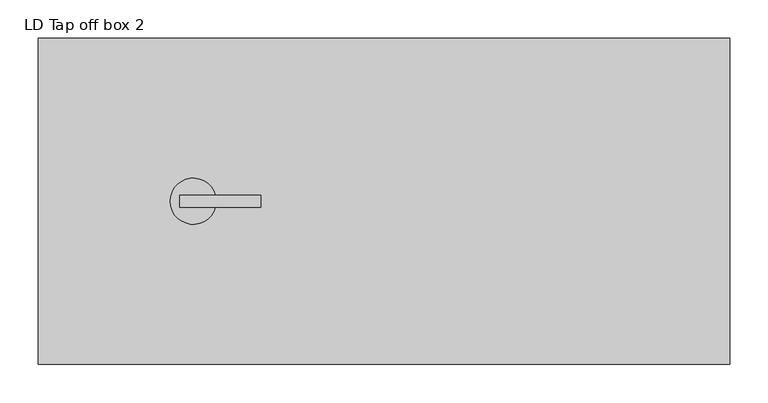
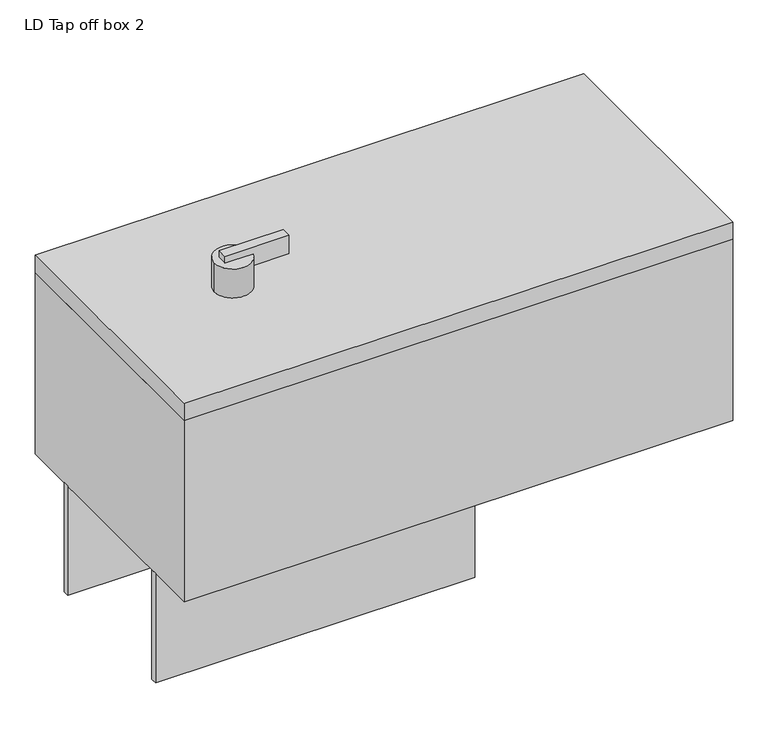
"""IFC4 building model written with IfcOpenShell, lengths in millimetres: proxy geometry, LD Tap off box 2."""

from ifc_helpers import new_model, si_unit, frame, origin, origin_with_axes, place, context, project, spatial, polyline, circle_curve, outline, extrude, source, transform, mapped, element, save
from ifc_brep_helpers import plane_surface, cylinder_surface, advanced_brep


def ld_tap_off_box_2_2ccad1d7(model_context):
    return source(origin(), model_context, "Body", "SolidModel", [
        advanced_brep(
        [(171.6557959, 0.0, 405.0), (230.5694604, -8.0, 405.0), (184.2970478, -8.0, 405.0), (184.2970478, 8.0, 405.0), (230.5694604, 8.0, 405.0), (171.6557959, 0.0, 355.0), (231.6557959, 0.0, 355.0), (231.6557959, 0.0, 385.0), (230.5694604, -8.0, 385.0), (230.5694604, 8.0, 385.0), (289.2970478, 8.0, 417.0), (184.2970478, 8.0, 417.0), (184.2970478, -8.0, 417.0), (289.2970478, -8.0, 417.0), (289.2970478, 8.0, 385.0), (289.2970478, -8.0, 385.0)],
        [
            (0, 1, circle_curve(frame((201.6557959, 0.0, 405.0), z_axis=(0.0, 0.0, 1.0), x_axis=(1.0, 0.0, 0.0)), 30.0)),
            (1, 2),
            (2, 3),
            (3, 4),
            (4, 0, circle_curve(frame((201.6557959, 0.0, 405.0), z_axis=(0.0, 0.0, 1.0), x_axis=(1.0, 0.0, 0.0)), 30.0)),
            (5, 6, circle_curve(frame((201.6557959, 0.0, 355.0), z_axis=(0.0, 0.0, -1.0), x_axis=(1.0, 0.0, 0.0)), 30.0)),
            (6, 5, circle_curve(frame((201.6557959, 0.0, 355.0), z_axis=(0.0, 0.0, -1.0), x_axis=(1.0, 0.0, 0.0)), 30.0)),
            (6, 7),
            (7, 8, circle_curve(frame((201.6557959, 0.0, 385.0), z_axis=(0.0, 0.0, -1.0), x_axis=(1.0, 0.0, 0.0)), 30.0)),
            (8, 1),
            (0, 5),
            (4, 9),
            (9, 7, circle_curve(frame((201.6557959, 0.0, 385.0), z_axis=(0.0, 0.0, -1.0), x_axis=(1.0, 0.0, 0.0)), 30.0)),
            (10, 11),
            (11, 12),
            (12, 13),
            (13, 10),
            (14, 15),
            (15, 8),
            (9, 14),
            (10, 14),
            (3, 11),
            (2, 12),
            (15, 13),
        ],
        [
            plane_surface(frame((231.6557959, 0.0, 405.0), z_axis=(0.0, 0.0, 1.0), x_axis=(0.0, 1.0, 0.0))),
            plane_surface(frame((231.6557959, 0.0, 355.0), z_axis=(0.0, 0.0, -1.0), x_axis=(0.0, -1.0, 0.0))),
            cylinder_surface(frame((201.6557959, 0.0, 355.0), z_axis=(0.0, 0.0, 1.0), x_axis=(1.0, 0.0, 0.0)), 30.0),
            plane_surface(frame((184.2970478, 8.0, 417.0), z_axis=(0.0, 0.0, 1.0), x_axis=(-1.0, 0.0, 0.0))),
            plane_surface(frame((184.2970478, 8.0, 385.0), z_axis=(0.0, 0.0, -1.0), x_axis=(1.0, 0.0, 0.0))),
            plane_surface(frame((289.2970478, 8.0, 417.0), z_axis=(0.0, 1.0, 0.0), x_axis=(0.0, 0.0, -1.0))),
            plane_surface(frame((184.2970478, 8.0, 417.0), z_axis=(-1.0, 0.0, 0.0), x_axis=(0.0, 0.0, -1.0))),
            plane_surface(frame((184.2970478, -8.0, 417.0), z_axis=(0.0, -1.0, 0.0), x_axis=(0.0, 0.0, -1.0))),
            plane_surface(frame((289.2970478, -8.0, 417.0), z_axis=(1.0, 0.0, 0.0), x_axis=(0.0, 0.0, -1.0))),
        ],
        [
            (0, [[1, 2, 3, 4, 5]]),
            (1, [[6, 7]]),
            (2, [[-7, 8, 9, 10, -1, 11]]),
            (2, [[-6, -11, -5, 12, 13, -8]]),
            (3, [[14, 15, 16, 17]]),
            (4, [[18, 19, -9, -13, 20]]),
            (5, [[-14, 21, -20, -12, -4, 22]]),
            (6, [[-15, -22, -3, 23]]),
            (7, [[-16, -23, -2, -10, -19, 24]]),
            (8, [[-17, -24, -18, -21]]),
        ],
    ),
        extrude(outline(polyline([(524.0, 130.0), (524.0, 120.0), (0.0, 120.0), (0.0, 130.0), (524.0, 130.0)])), frame((0.0, 0.0, -185.0), z_axis=(0.0, 0.0, 1.0), x_axis=(1.0, 0.0, 0.0)), (0.0, 0.0, 1.0), 190.0),
        extrude(outline(polyline([(524.0, -120.0), (524.0, -130.0), (0.0, -130.0), (0.0, -120.0), (524.0, -120.0)])), frame((0.0, 0.0, -185.0), z_axis=(0.0, 0.0, 1.0), x_axis=(1.0, 0.0, 0.0)), (0.0, 0.0, 1.0), 190.0),
        extrude(outline(polyline([(900.0, 212.0), (900.0, -212.0), (0.0, -212.0), (0.0, 212.0), (900.0, 212.0)])), frame((0.0, 0.0, 320.0), z_axis=(0.0, 0.0, 1.0), x_axis=(1.0, 0.0, 0.0)), (0.0, 0.0, 1.0), 30.0),
        extrude(outline(polyline([(900.0, 212.0), (900.0, -212.0), (0.0, -212.0), (0.0, 212.0), (900.0, 212.0)])), frame((0.0, 0.0, 5.0), z_axis=(0.0, 0.0, 1.0), x_axis=(1.0, 0.0, 0.0)), (0.0, 0.0, 1.0), 315.0),
        extrude(outline(polyline([(226.5, 120.0), (226.5, -120.0), (46.5, -120.0), (46.5, 120.0), (226.5, 120.0)])), origin_with_axes(), (0.0, 0.0, 1.0), 5.0),
    ])


if __name__ == "__main__":
    model = new_model("IFC4")
    model_context = context("Model", 3, world=origin())
    ifc_project = project(units=[si_unit("LENGTHUNIT", "METRE", prefix="MILLI")], contexts=[model_context])
    site = spatial("IfcSite", under=ifc_project)
    building = spatial("IfcBuilding", under=site)
    placement = place(None, origin())
    ld_tap_off_box_2_shape = ld_tap_off_box_2_2ccad1d7(model_context)
    element("IfcBuildingElementProxy", 1, Name="LD Tap off box 2", ObjectType="LD Tap off box 2", at=placement, inside=building, context=model_context, shape_type="MappedRepresentation", body=[
        mapped(ld_tap_off_box_2_shape, transform((0.0, 0.0, 0.0), x_axis=(1.0, 0.0, 0.0), y_axis=(0.0, 1.0, 0.0), z_axis=(0.0, 0.0, 1.0))),
    ])
    save(model, "model.ifc")
